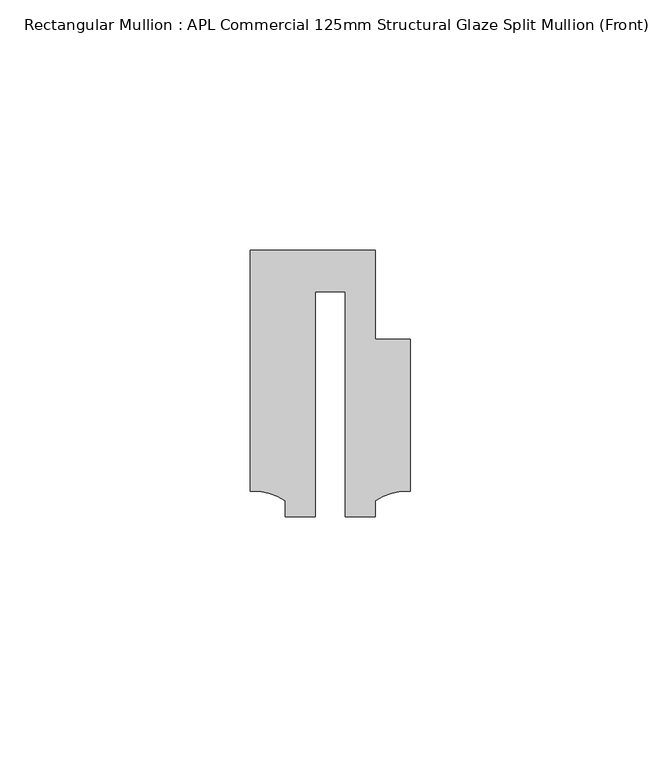
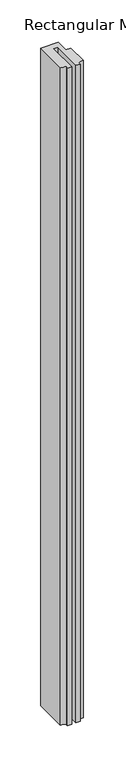
"""IFC4 building model written with IfcOpenShell, lengths in millimetres: member geometry, Rectangular Mullion : APL Commercial 125mm Structural Glaze Split Mullion (Front)."""

from ifc_helpers import new_model, si_unit, point, frame, frame_2d, origin, place, context, project, spatial, polyline, circle_curve, trimmed, segment, composite_curve, outline, extrude, source, transform, mapped, element, save


def rectangular_mullion_apl_commercial_125mm_structural_glaze_9f358d9b(model_context):
    return source(origin(), model_context, "Body", "SweptSolid", [
        extrude(outline(composite_curve([segment(polyline([(15.9999391, 14.9953356), (15.9999391, -15.3837352)]), True, "CONTINUOUS"), segment(trimmed(circle_curve(frame_2d((15.1098019, -25.802169)), 10.4563907), [point((15.9999391, -15.3837352))], [point((8.9999842, -17.3165203))], True, "CARTESIAN"), True, "CONTINUOUS"), segment(polyline([(8.9999842, -17.3165203), (8.9999842, -20.5039877), (2.9999676, -20.5039877), (2.9999676, 24.5130805), (-2.9999659, 24.5130805), (-2.9999659, -20.5039877), (-8.9999842, -20.5039877), (-8.9999842, -17.3165203)]), True, "CONTINUOUS"), segment(trimmed(circle_curve(frame_2d((-15.1098019, -25.802169)), 10.4563907), [point((-8.9999842, -17.3165203))], [point((-15.9999391, -15.3837352))], True, "CARTESIAN"), True, "CONTINUOUS"), segment(polyline([(-15.9999391, -15.3837352), (-15.9999391, 32.7960123), (9.0, 32.7960123), (9.0, 14.9953356), (15.9999391, 14.9953356)]), True, "CONTINUOUS")], self_intersect=False)), frame((0.0, 0.0, -983.346945), z_axis=(0.0, 0.0, 1.0), x_axis=(1.0, 0.0, 0.0)), (0.0, 0.0, 1.0), 983.346945),
    ])


if __name__ == "__main__":
    model = new_model("IFC4")
    model_context = context("Model", 3, world=origin())
    ifc_project = project(units=[si_unit("LENGTHUNIT", "METRE", prefix="MILLI")], contexts=[model_context])
    site = spatial("IfcSite", under=ifc_project)
    building = spatial("IfcBuilding", under=site)
    placement = place(None, origin())
    rectangular_mullion_apl_commercial_125mm_structural_glaze_shape = rectangular_mullion_apl_commercial_125mm_structural_glaze_9f358d9b(model_context)
    element("IfcMember", 1, ObjectType="Rectangular Mullion : APL Commercial 125mm Structural Glaze Split Mullion (Front)", at=placement, inside=building, context=model_context, shape_type="MappedRepresentation", body=[
        mapped(rectangular_mullion_apl_commercial_125mm_structural_glaze_shape, transform((0.0, 0.0, 0.0), x_axis=(1.0, 0.0, 0.0), y_axis=(0.0, 1.0, 0.0), z_axis=(0.0, 0.0, 1.0))),
    ])
    save(model, "model.ifc")
